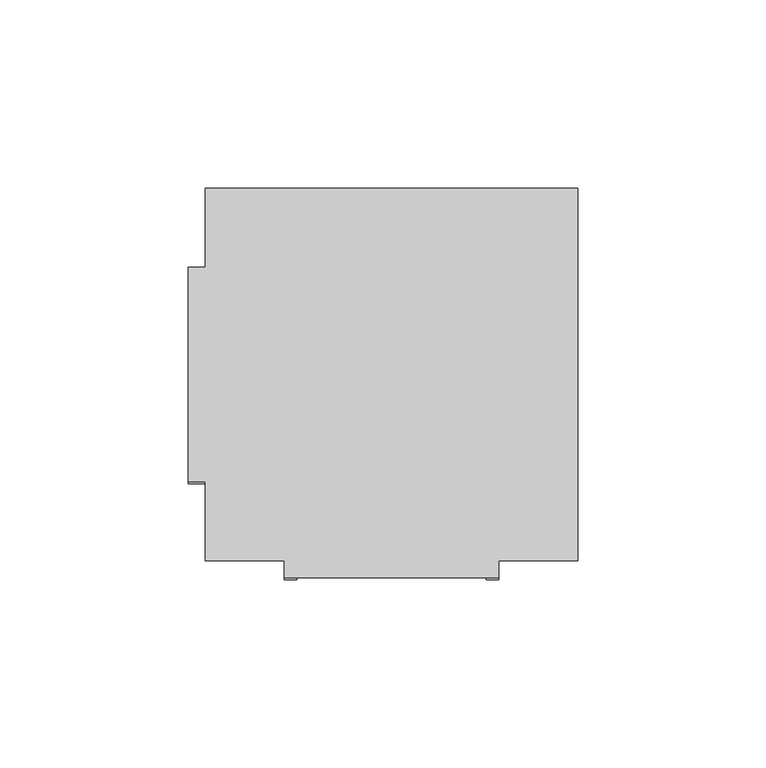
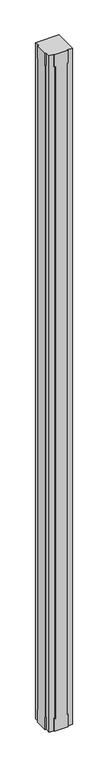
"""IFC4 building model written with IfcOpenShell, lengths in millimetres: furniture geometry."""

from ifc_helpers import new_model, si_unit, origin, place, context, project, spatial, faceted_brep, source, transform, mapped, element, save


def furniture_4f67ec33(model_context):
    return source(origin(), model_context, "Body", "Brep", [
        faceted_brep([(79.121, -307.975, 55.118), (79.121, -307.975, 2992.882), (82.423, -307.975, 2992.882), (82.423, -307.975, 3048.0), (25.527, -307.975, 3048.0), (25.527, -307.975, 2992.882), (28.829, -307.975, 2992.882), (28.829, -307.975, 55.118), (25.527, -307.975, 55.118), (25.527, -307.975, 0.0), (82.423, -307.975, 0.0), (82.423, -307.975, 55.118), (79.121, -303.4792, 55.118), (79.121, -303.4792, 2992.882), (82.423, -303.4792, 2992.882), (82.423, -303.4792, 3048.0), (103.4542, -303.4792, 3048.0), (103.4542, -204.5208, 3048.0), (4.4958, -204.5208, 3048.0), (4.4958, -225.552, 3048.0), (0.0, -225.552, 3048.0), (0.0, -282.448, 3048.0), (4.4958, -282.448, 3048.0), (4.4958, -303.4792, 3048.0), (25.527, -303.4792, 3048.0), (25.527, -303.4792, 2992.882), (28.829, -303.4792, 2992.882), (28.829, -303.4792, 55.118), (25.527, -303.4792, 55.118), (25.527, -303.4792, 0.0), (4.4958, -303.4792, 0.0), (4.4958, -282.448, 0.0), (0.0, -282.448, 0.0), (0.0, -225.552, 0.0), (4.4958, -225.552, 0.0), (4.4958, -204.5208, 0.0), (103.4542, -204.5208, 0.0), (103.4542, -303.4792, 0.0), (82.423, -303.4792, 0.0), (82.423, -303.4792, 55.118), (4.4958, -225.552, 55.118), (4.4958, -228.854, 55.118), (4.4958, -228.854, 2992.882), (4.4958, -225.552, 2992.882), (4.4958, -282.448, 2992.882), (4.4958, -279.146, 2992.882), (4.4958, -279.146, 55.118), (4.4958, -282.448, 55.118), (0.0, -228.854, 55.118), (0.0, -225.552, 55.118), (0.0, -282.448, 55.118), (0.0, -279.146, 55.118), (0.0, -279.146, 2992.882), (0.0, -282.448, 2992.882), (0.0, -225.552, 2992.882), (0.0, -228.854, 2992.882)], [[[0, 1, 2, 3, 4, 5, 6, 7, 8, 9, 10, 11]], [[1, 0, 12, 13]], [[2, 1, 13, 14]], [[3, 2, 14, 15]], [[4, 3, 15, 16, 17, 18, 19, 20, 21, 22, 23, 24]], [[5, 4, 24, 25]], [[6, 5, 25, 26]], [[7, 6, 26, 27]], [[8, 7, 27, 28]], [[9, 8, 28, 29]], [[10, 9, 29, 30, 31, 32, 33, 34, 35, 36, 37, 38]], [[11, 10, 38, 39]], [[0, 11, 39, 12]], [[18, 17, 36, 35]], [[18, 35, 34, 40, 41, 42, 43, 19]], [[30, 23, 22, 44, 45, 46, 47, 31]], [[23, 30, 29, 28, 27, 26, 25, 24]], [[37, 16, 15, 14, 13, 12, 39, 38]], [[17, 16, 37, 36]], [[48, 49, 33, 32, 50, 51, 52, 53, 21, 20, 54, 55]], [[48, 55, 42, 41]], [[55, 54, 43, 42]], [[54, 20, 19, 43]], [[21, 53, 44, 22]], [[53, 52, 45, 44]], [[52, 51, 46, 45]], [[51, 50, 47, 46]], [[50, 32, 31, 47]], [[33, 49, 40, 34]], [[49, 48, 41, 40]]]),
    ])


if __name__ == "__main__":
    model = new_model("IFC4")
    model_context = context("Model", 3, world=origin())
    ifc_project = project(units=[si_unit("LENGTHUNIT", "METRE", prefix="MILLI")], contexts=[model_context])
    site = spatial("IfcSite", under=ifc_project)
    building = spatial("IfcBuilding", under=site)
    placement = place(None, origin())
    furniture_shape = furniture_4f67ec33(model_context)
    element("IfcFurniture", 1, at=placement, inside=building, context=model_context, shape_type="MappedRepresentation", body=[
        mapped(furniture_shape, transform((0.0, 0.0, 0.0), x_axis=(1.0, 0.0, 0.0), y_axis=(0.0, 1.0, 0.0), z_axis=(0.0, 0.0, 1.0))),
    ])
    save(model, "model.ifc")
